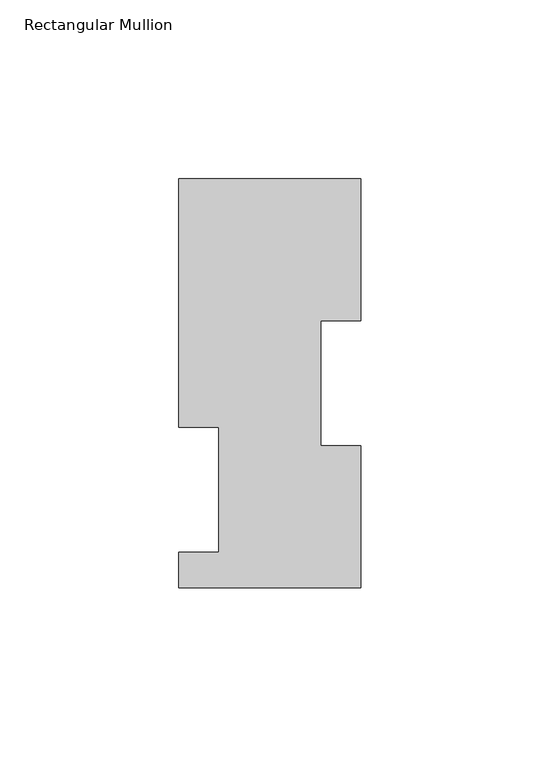
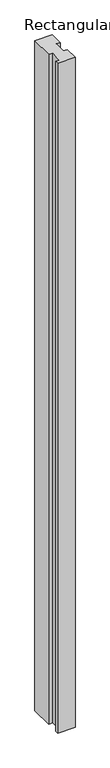
"""IFC4 building model written with IfcOpenShell, lengths in millimetres: member geometry, Rectangular Mullion."""

from ifc_helpers import new_model, si_unit, frame, origin, place, context, project, spatial, polyline, outline, extrude, source, transform, mapped, element, save


def rectangular_mullion_6fca5c5a(model_context):
    return source(origin(), model_context, "Body", "SweptSolid", [
        extrude(outline(polyline([(25.4, 114.0729875), (25.4, 74.3981875), (14.2875, 74.3981875), (14.2875, 39.4477875), (25.4, 39.4477875), (25.4, -0.2270125), (-25.4, -0.2270125), (-25.4, 9.6789875), (-14.2875, 9.6789875), (-14.2875, 44.6039875), (-25.4, 44.6039875), (-25.4, 114.0729875), (25.4, 114.0729875)])), frame((0.0, 0.0, -2060.575), z_axis=(0.0, 0.0, 1.0), x_axis=(1.0, 0.0, 0.0)), (0.0, 0.0, 1.0), 2060.575),
    ])


if __name__ == "__main__":
    model = new_model("IFC4")
    model_context = context("Model", 3, world=origin())
    ifc_project = project(units=[si_unit("LENGTHUNIT", "METRE", prefix="MILLI")], contexts=[model_context])
    site = spatial("IfcSite", under=ifc_project)
    building = spatial("IfcBuilding", under=site)
    placement = place(None, origin())
    rectangular_mullion_shape = rectangular_mullion_6fca5c5a(model_context)
    element("IfcMember", 1, ObjectType="Rectangular Mullion", at=placement, inside=building, context=model_context, shape_type="MappedRepresentation", body=[
        mapped(rectangular_mullion_shape, transform((0.0, 0.0, 0.0), x_axis=(1.0, 0.0, 0.0), y_axis=(0.0, 1.0, 0.0), z_axis=(0.0, 0.0, 1.0))),
    ])
    save(model, "model.ifc")
